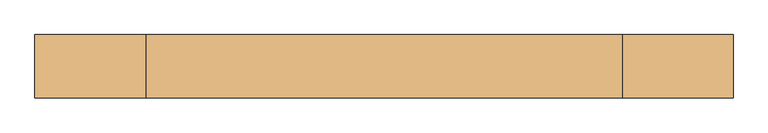
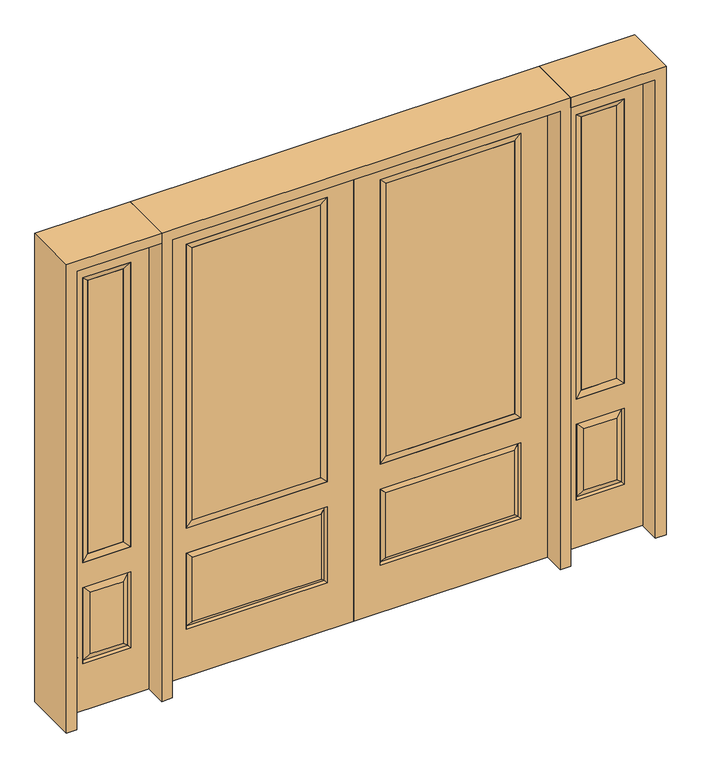
"""IFC4 building model written with IfcOpenShell, lengths in millimetres: door geometry."""

from ifc_helpers import new_model, si_unit, frame, origin, place, context, project, spatial, polyline, outline, extrude, faceted_brep, source, transform, mapped, element, save


def door_a3aa5e59(model_context):
    return source(origin(), model_context, "Body", "SolidModel", [
        faceted_brep([(694.5661499, -12.7912373, 216.6588501), (677.06875, -22.225, 234.15625), (135.73125, -22.225, 234.15625), (118.2338501, -12.7912373, 216.6588501), (111.125, -22.225, 209.55), (701.675, -22.225, 209.55), (701.675, -22.225, 546.1), (694.5661499, -12.7912373, 538.9911499), (0.0, -22.225, 2032.0), (0.0, -22.225, 0.0), (812.8, -22.225, 0.0), (812.8, -22.225, 2032.0), (111.125, -22.225, 546.1), (111.125, -22.225, 1917.7), (701.675, -22.225, 1917.7), (701.675, -22.225, 657.098), (111.125, -22.225, 657.098), (677.06875, -22.225, 521.49375), (135.73125, -22.225, 521.49375), (118.2338501, -12.7912373, 538.9911499), (812.8, 22.225, 0.0), (812.8, 22.225, 2032.0), (0.0, 22.225, 0.0), (0.0, 22.225, 2032.0), (111.125, 22.225, 657.098), (111.125, 22.225, 1917.7), (701.675, 22.225, 657.098), (701.675, 22.225, 1917.7), (135.73125, 22.225, 234.15625), (135.73125, 22.225, 521.49375), (677.06875, 22.225, 521.49375), (677.06875, 22.225, 234.15625), (701.675, 22.225, 209.55), (701.675, 22.225, 546.1), (111.125, 22.225, 546.1), (111.125, 22.225, 209.55), (118.2338501, 12.7912373, 216.6588501), (694.5661499, 12.7912373, 216.6588501), (118.2338501, 12.7912373, 538.9911499), (694.5661499, 12.7912373, 538.9911499)], [[[0, 1, 2, 3]], [[3, 4, 5, 0]], [[5, 6, 7, 0]], [[8, 9, 10, 11], [4, 12, 6, 5], [13, 14, 15, 16]], [[1, 17, 18, 2]], [[3, 19, 12, 4]], [[2, 18, 19, 3]], [[0, 7, 17, 1]], [[6, 12, 19, 7]], [[7, 19, 18, 17]], [[10, 20, 21, 11]], [[9, 22, 20, 10]], [[8, 23, 22, 9]], [[16, 24, 25, 13]], [[15, 26, 24, 16]], [[14, 27, 26, 15]], [[28, 29, 30, 31]], [[23, 21, 20, 22], [25, 24, 26, 27], [32, 33, 34, 35]], [[32, 35, 36, 37]], [[35, 34, 38, 36]], [[39, 38, 34, 33]], [[37, 39, 33, 32]], [[36, 28, 31, 37]], [[31, 30, 39, 37]], [[30, 29, 38, 39]], [[36, 38, 29, 28]], [[11, 21, 23, 8]], [[13, 25, 27, 14]]]),
        faceted_brep([(701.675, -22.225, 1917.7), (701.675, -22.225, 657.098), (701.675, 22.225, 657.098), (701.675, 22.225, 1917.7), (111.125, -22.225, 657.098), (111.125, 22.225, 657.098), (136.525, 5.08, 682.498), (676.275, 5.08, 682.498), (111.125, -22.225, 1917.7), (111.125, 22.225, 1917.7), (676.275, -20.32, 682.498), (136.525, -20.32, 682.498), (676.275, -20.32, 1892.3), (136.525, -20.32, 1892.3), (676.275, 5.08, 1892.3), (136.525, 5.08, 1892.3)], [[[0, 1, 2, 3]], [[1, 4, 5, 2]], [[2, 5, 6, 7]], [[4, 8, 9, 5]], [[10, 11, 4, 1]], [[12, 10, 1, 0]], [[11, 13, 8, 4]], [[7, 6, 11, 10]], [[14, 7, 10, 12]], [[6, 15, 13, 11]], [[3, 2, 7, 14]], [[5, 9, 15, 6]], [[8, 0, 3, 9]], [[13, 12, 0, 8]], [[15, 14, 12, 13]], [[9, 3, 14, 15]]]),
        extrude(outline(polyline([(136.525, -20.32), (136.525, 5.08), (676.275, 5.08), (676.275, -20.32), (136.525, -20.32)])), frame((0.0, 0.0, 682.498), z_axis=(0.0, 0.0, 1.0), x_axis=(1.0, 0.0, 0.0)), (0.0, 0.0, 1.0), 1209.802),
        faceted_brep([(857.25, -22.225, 0.0), (1212.85, -22.225, 0.0), (1212.85, -22.225, 2032.0), (857.25, -22.225, 2032.0), (1135.38, -22.225, 1919.224), (1135.38, -22.225, 657.098), (934.72, -22.225, 657.098), (934.72, -22.225, 1919.224), (1135.38, -22.225, 209.55), (934.72, -22.225, 209.55), (934.72, -22.225, 546.1), (1135.38, -22.225, 546.1), (966.4351001, -22.225, 241.2651001), (1103.6648999, -22.225, 241.2651001), (1103.6648999, -22.225, 514.3848999), (966.4351001, -22.225, 514.3848999), (857.25, 22.225, 0.0), (857.25, 22.225, 2032.0), (1212.85, 22.225, 2032.0), (1212.85, 22.225, 0.0), (1135.38, 22.225, 1919.224), (934.72, 22.225, 1919.224), (934.72, 22.225, 657.098), (1135.38, 22.225, 657.098), (934.72, 22.225, 209.55), (1135.38, 22.225, 209.55), (1135.38, 22.225, 546.1), (934.72, 22.225, 546.1), (1103.6648999, 22.225, 241.2651001), (966.4351001, 22.225, 241.2651001), (966.4351001, 22.225, 514.3848999), (1103.6648999, 22.225, 514.3848999), (1128.2711499, 12.7912373, 216.6588501), (941.8288501, 12.7912373, 216.6588501), (941.8288501, 12.7912373, 538.9911499), (1128.2711499, 12.7912373, 538.9911499), (941.8288501, -12.7912373, 216.6588501), (1128.2711499, -12.7912373, 216.6588501), (941.8288501, -12.7912373, 538.9911499), (1128.2711499, -12.7912373, 538.9911499)], [[[0, 1, 2, 3], [4, 5, 6, 7], [8, 9, 10, 11]], [[12, 13, 14, 15]], [[16, 17, 18, 19], [20, 21, 22, 23], [24, 25, 26, 27]], [[28, 29, 30, 31]], [[1, 0, 16, 19]], [[2, 1, 19, 18]], [[3, 2, 18, 17]], [[0, 3, 17, 16]], [[5, 4, 20, 23]], [[6, 5, 23, 22]], [[7, 6, 22, 21]], [[4, 7, 21, 20]], [[32, 33, 29, 28]], [[33, 32, 25, 24]], [[29, 33, 34, 30]], [[33, 24, 27, 34]], [[30, 34, 35, 31]], [[34, 27, 26, 35]], [[32, 28, 31, 35]], [[25, 32, 35, 26]], [[12, 36, 37, 13]], [[37, 36, 9, 8]], [[36, 12, 15, 38]], [[9, 36, 38, 10]], [[38, 15, 14, 39]], [[10, 38, 39, 11]], [[13, 37, 39, 14]], [[37, 8, 11, 39]]]),
        faceted_brep([(934.72, 22.225, 1919.224), (934.72, -22.225, 1919.224), (1135.38, -22.225, 1919.224), (1135.38, 22.225, 1919.224), (960.12, 12.7, 1893.824), (1109.98, 12.7, 1893.824), (960.12, -12.7, 1893.824), (1109.98, -12.7, 1893.824), (1135.38, -22.225, 657.098), (1135.38, 22.225, 657.098), (1109.98, 12.7, 682.498), (1109.98, -12.7, 682.498), (934.72, -22.225, 657.098), (934.72, 22.225, 657.098), (960.12, 12.7, 682.498), (960.12, -12.7, 682.498)], [[[0, 1, 2, 3]], [[4, 0, 3, 5]], [[6, 4, 5, 7]], [[1, 6, 7, 2]], [[3, 2, 8, 9]], [[5, 3, 9, 10]], [[7, 5, 10, 11]], [[2, 7, 11, 8]], [[9, 8, 12, 13]], [[10, 9, 13, 14]], [[11, 10, 14, 15]], [[8, 11, 15, 12]], [[13, 12, 1, 0]], [[14, 13, 0, 4]], [[15, 14, 4, 6]], [[12, 15, 6, 1]]]),
        extrude(outline(polyline([(1109.98, -12.7), (960.12, -12.7), (960.12, 12.7), (1109.98, 12.7), (1109.98, -12.7)])), frame((0.0, 0.0, 682.498), z_axis=(0.0, 0.0, 1.0), x_axis=(1.0, 0.0, 0.0)), (0.0, 0.0, 1.0), 1211.326),
        faceted_brep([(-1212.85, -22.225, 0.0), (-857.25, -22.225, 0.0), (-857.25, -22.225, 2032.0), (-1212.85, -22.225, 2032.0), (-934.72, -22.225, 1919.224), (-934.72, -22.225, 657.098), (-1135.38, -22.225, 657.098), (-1135.38, -22.225, 1919.224), (-934.72, -22.225, 209.55), (-1135.38, -22.225, 209.55), (-1135.38, -22.225, 546.1), (-934.72, -22.225, 546.1), (-1103.6648999, -22.225, 241.2651001), (-966.4351001, -22.225, 241.2651001), (-966.4351001, -22.225, 514.3848999), (-1103.6648999, -22.225, 514.3848999), (-1212.85, 22.225, 0.0), (-1212.85, 22.225, 2032.0), (-857.25, 22.225, 2032.0), (-857.25, 22.225, 0.0), (-934.72, 22.225, 1919.224), (-1135.38, 22.225, 1919.224), (-1135.38, 22.225, 657.098), (-934.72, 22.225, 657.098), (-1135.38, 22.225, 209.55), (-934.72, 22.225, 209.55), (-934.72, 22.225, 546.1), (-1135.38, 22.225, 546.1), (-966.4351001, 22.225, 241.2651001), (-1103.6648999, 22.225, 241.2651001), (-1103.6648999, 22.225, 514.3848999), (-966.4351001, 22.225, 514.3848999), (-941.8288501, 12.7912373, 216.6588501), (-1128.2711499, 12.7912373, 216.6588501), (-1128.2711499, 12.7912373, 538.9911499), (-941.8288501, 12.7912373, 538.9911499), (-1128.2711499, -12.7912373, 216.6588501), (-941.8288501, -12.7912373, 216.6588501), (-1128.2711499, -12.7912373, 538.9911499), (-941.8288501, -12.7912373, 538.9911499)], [[[0, 1, 2, 3], [4, 5, 6, 7], [8, 9, 10, 11]], [[12, 13, 14, 15]], [[16, 17, 18, 19], [20, 21, 22, 23], [24, 25, 26, 27]], [[28, 29, 30, 31]], [[1, 0, 16, 19]], [[2, 1, 19, 18]], [[3, 2, 18, 17]], [[0, 3, 17, 16]], [[5, 4, 20, 23]], [[6, 5, 23, 22]], [[7, 6, 22, 21]], [[4, 7, 21, 20]], [[32, 33, 29, 28]], [[33, 32, 25, 24]], [[29, 33, 34, 30]], [[33, 24, 27, 34]], [[30, 34, 35, 31]], [[34, 27, 26, 35]], [[32, 28, 31, 35]], [[25, 32, 35, 26]], [[12, 36, 37, 13]], [[37, 36, 9, 8]], [[36, 12, 15, 38]], [[9, 36, 38, 10]], [[38, 15, 14, 39]], [[10, 38, 39, 11]], [[13, 37, 39, 14]], [[37, 8, 11, 39]]]),
        faceted_brep([(-1135.38, 22.225, 1919.224), (-1135.38, -22.225, 1919.224), (-934.72, -22.225, 1919.224), (-934.72, 22.225, 1919.224), (-1109.98, 12.7, 1893.824), (-960.12, 12.7, 1893.824), (-1109.98, -12.7, 1893.824), (-960.12, -12.7, 1893.824), (-934.72, -22.225, 657.098), (-934.72, 22.225, 657.098), (-960.12, 12.7, 682.498), (-960.12, -12.7, 682.498), (-1135.38, -22.225, 657.098), (-1135.38, 22.225, 657.098), (-1109.98, 12.7, 682.498), (-1109.98, -12.7, 682.498)], [[[0, 1, 2, 3]], [[4, 0, 3, 5]], [[6, 4, 5, 7]], [[1, 6, 7, 2]], [[3, 2, 8, 9]], [[5, 3, 9, 10]], [[7, 5, 10, 11]], [[2, 7, 11, 8]], [[9, 8, 12, 13]], [[10, 9, 13, 14]], [[11, 10, 14, 15]], [[8, 11, 15, 12]], [[13, 12, 1, 0]], [[14, 13, 0, 4]], [[15, 14, 4, 6]], [[12, 15, 6, 1]]]),
        extrude(outline(polyline([(-960.12, -12.7), (-1109.98, -12.7), (-1109.98, 12.7), (-960.12, 12.7), (-960.12, -12.7)])), frame((0.0, 0.0, 682.498), z_axis=(0.0, 0.0, 1.0), x_axis=(1.0, 0.0, 0.0)), (0.0, 0.0, 1.0), 1211.326),
        faceted_brep([(-694.5661499, -12.7912373, 216.6588501), (-118.2338501, -12.7912373, 216.6588501), (-135.73125, -22.225, 234.15625), (-677.06875, -22.225, 234.15625), (-701.675, -22.225, 209.55), (-111.125, -22.225, 209.55), (-694.5661499, -12.7912373, 538.9911499), (-701.675, -22.225, 546.1), (-135.73125, -22.225, 521.49375), (-677.06875, -22.225, 521.49375), (0.0, -22.225, 2032.0), (-812.8, -22.225, 2032.0), (-812.8, -22.225, 0.0), (0.0, -22.225, 0.0), (-111.125, -22.225, 546.1), (-111.125, -22.225, 1917.7), (-111.125, -22.225, 657.098), (-701.675, -22.225, 657.098), (-701.675, -22.225, 1917.7), (-118.2338501, -12.7912373, 538.9911499), (-812.8, 22.225, 2032.0), (-812.8, 22.225, 0.0), (0.0, 22.225, 0.0), (0.0, 22.225, 2032.0), (-111.125, 22.225, 1917.7), (-111.125, 22.225, 657.098), (-701.675, 22.225, 657.098), (-701.675, 22.225, 1917.7), (-701.675, 22.225, 209.55), (-111.125, 22.225, 209.55), (-111.125, 22.225, 546.1), (-701.675, 22.225, 546.1), (-135.73125, 22.225, 234.15625), (-677.06875, 22.225, 234.15625), (-677.06875, 22.225, 521.49375), (-135.73125, 22.225, 521.49375), (-694.5661499, 12.7912373, 216.6588501), (-118.2338501, 12.7912373, 216.6588501), (-118.2338501, 12.7912373, 538.9911499), (-694.5661499, 12.7912373, 538.9911499)], [[[0, 1, 2, 3]], [[1, 0, 4, 5]], [[4, 0, 6, 7]], [[3, 2, 8, 9]], [[10, 11, 12, 13], [5, 4, 7, 14], [15, 16, 17, 18]], [[1, 5, 14, 19]], [[2, 1, 19, 8]], [[0, 3, 9, 6]], [[7, 6, 19, 14]], [[6, 9, 8, 19]], [[12, 11, 20, 21]], [[13, 12, 21, 22]], [[10, 13, 22, 23]], [[16, 15, 24, 25]], [[17, 16, 25, 26]], [[18, 17, 26, 27]], [[23, 22, 21, 20], [28, 29, 30, 31], [24, 27, 26, 25]], [[32, 33, 34, 35]], [[28, 36, 37, 29]], [[29, 37, 38, 30]], [[39, 31, 30, 38]], [[36, 28, 31, 39]], [[37, 36, 33, 32]], [[33, 36, 39, 34]], [[34, 39, 38, 35]], [[37, 32, 35, 38]], [[11, 10, 23, 20]], [[15, 18, 27, 24]]]),
        faceted_brep([(-701.675, -22.225, 1917.7), (-701.675, 22.225, 1917.7), (-701.675, 22.225, 657.098), (-701.675, -22.225, 657.098), (-111.125, 22.225, 657.098), (-111.125, -22.225, 657.098), (-676.275, 5.08, 682.498), (-136.525, 5.08, 682.498), (-111.125, 22.225, 1917.7), (-111.125, -22.225, 1917.7), (-676.275, -20.32, 682.498), (-136.525, -20.32, 682.498), (-676.275, -20.32, 1892.3), (-136.525, -20.32, 1892.3), (-676.275, 5.08, 1892.3), (-136.525, 5.08, 1892.3)], [[[0, 1, 2, 3]], [[3, 2, 4, 5]], [[2, 6, 7, 4]], [[5, 4, 8, 9]], [[10, 3, 5, 11]], [[12, 0, 3, 10]], [[11, 5, 9, 13]], [[6, 10, 11, 7]], [[14, 12, 10, 6]], [[7, 11, 13, 15]], [[1, 14, 6, 2]], [[4, 7, 15, 8]], [[9, 8, 1, 0]], [[13, 9, 0, 12]], [[15, 13, 12, 14]], [[8, 15, 14, 1]]]),
        extrude(outline(polyline([(-136.525, -20.32), (-676.275, -20.32), (-676.275, 5.08), (-136.525, 5.08), (-136.525, -20.32)])), frame((0.0, 0.0, 682.498), z_axis=(0.0, 0.0, 1.0), x_axis=(1.0, 0.0, 0.0)), (0.0, 0.0, 1.0), 1209.802),
        extrude(outline(polyline([(2032.0, -857.25), (2076.45, -857.25), (2076.45, -1257.3), (0.0, -1257.3), (0.0, -1212.85), (2032.0, -1212.85), (2032.0, -857.25)])), frame((0.0, -114.3, 0.0), z_axis=(0.0, 1.0, 0.0), x_axis=(0.0, 0.0, 1.0)), (0.0, 0.0, 1.0), 228.6),
        extrude(outline(polyline([(2076.45, -857.25), (0.0, -857.25), (0.0, -812.8), (2032.0, -812.8), (2032.0, 812.8), (0.0, 812.8), (0.0, 857.25), (2076.45, 857.25), (2076.45, -857.25)])), frame((0.0, -114.3, 0.0), z_axis=(0.0, 1.0, 0.0), x_axis=(0.0, 0.0, 1.0)), (0.0, 0.0, 1.0), 228.6),
        extrude(outline(polyline([(0.0, 1212.85), (0.0, 1257.3), (2076.45, 1257.3), (2076.45, 857.25), (2032.0, 857.25), (2032.0, 1212.85), (0.0, 1212.85)])), frame((0.0, -114.3, 0.0), z_axis=(0.0, 1.0, 0.0), x_axis=(0.0, 0.0, 1.0)), (0.0, 0.0, 1.0), 228.6),
    ])


if __name__ == "__main__":
    model = new_model("IFC4")
    model_context = context("Model", 3, world=origin())
    ifc_project = project(units=[si_unit("LENGTHUNIT", "METRE", prefix="MILLI")], contexts=[model_context])
    site = spatial("IfcSite", under=ifc_project)
    building = spatial("IfcBuilding", under=site)
    placement = place(None, origin())
    door_shape = door_a3aa5e59(model_context)
    element("IfcDoor", 1, at=placement, inside=building, context=model_context, shape_type="MappedRepresentation", body=[
        mapped(door_shape, transform((0.0, 0.0, 0.0), x_axis=(1.0, 0.0, 0.0), y_axis=(0.0, 1.0, 0.0), z_axis=(0.0, 0.0, 1.0))),
    ])
    save(model, "model.ifc")
